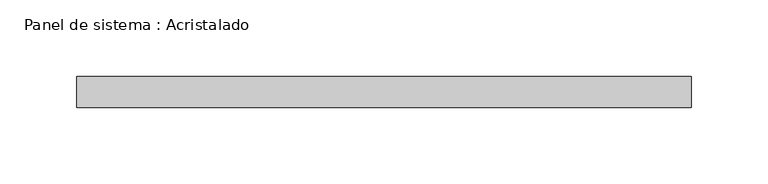
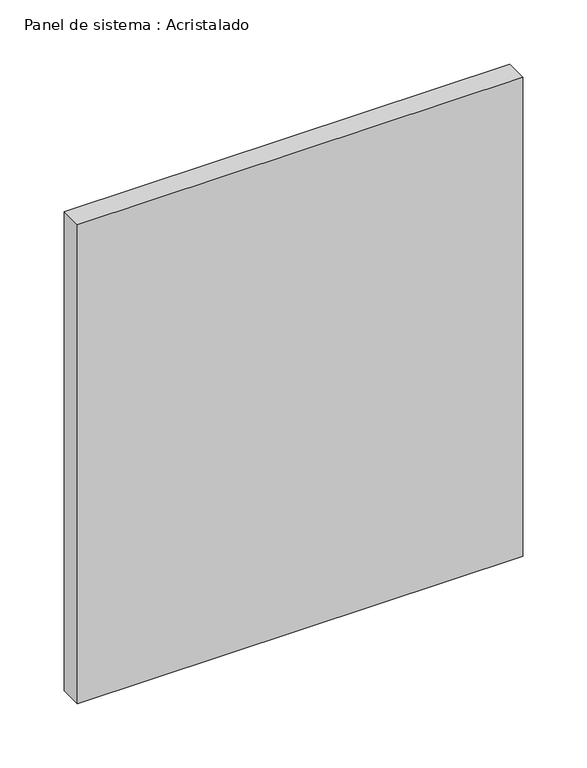
"""IFC4 building model written with IfcOpenShell, lengths in millimetres: plate geometry, Panel de sistema : Acristalado."""

from ifc_helpers import new_model, si_unit, origin, origin_with_axes, place, context, project, spatial, polyline, outline, extrude, source, transform, mapped, element, save


def panel_de_sistema_acristalado_645d8fb0(model_context):
    return source(origin(), model_context, "Body", "SweptSolid", [
        extrude(outline(polyline([(200.0, -10.0), (-200.0, -10.0), (-200.0, 10.0), (200.0, 10.0), (200.0, -10.0)])), origin_with_axes(), (0.0, 0.0, 1.0), 455.0),
    ])


if __name__ == "__main__":
    model = new_model("IFC4")
    model_context = context("Model", 3, world=origin())
    ifc_project = project(units=[si_unit("LENGTHUNIT", "METRE", prefix="MILLI")], contexts=[model_context])
    site = spatial("IfcSite", under=ifc_project)
    building = spatial("IfcBuilding", under=site)
    placement = place(None, origin())
    panel_de_sistema_acristalado_shape = panel_de_sistema_acristalado_645d8fb0(model_context)
    element("IfcPlate", 1, ObjectType="Panel de sistema : Acristalado", at=placement, inside=building, context=model_context, shape_type="MappedRepresentation", body=[
        mapped(panel_de_sistema_acristalado_shape, transform((0.0, 0.0, 0.0), x_axis=(1.0, 0.0, 0.0), y_axis=(0.0, 1.0, 0.0), z_axis=(0.0, 0.0, 1.0))),
    ])
    save(model, "model.ifc")
